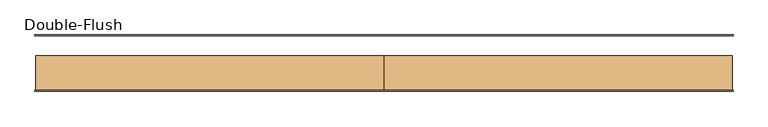
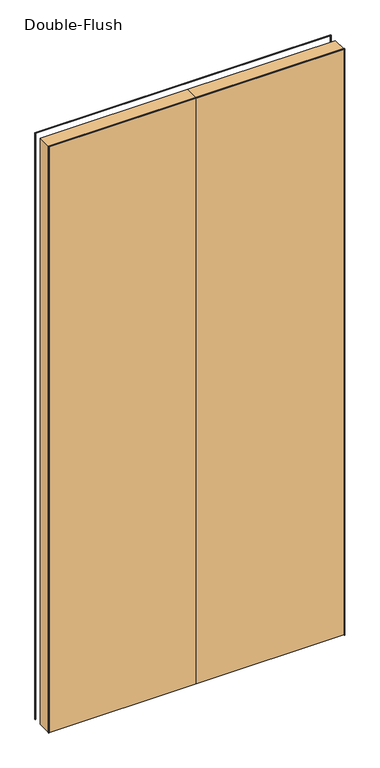
"""IFC4 building model written with IfcOpenShell, lengths in millimetres: door geometry, Double-Flush."""

from ifc_helpers import new_model, si_unit, frame, origin, origin_with_axes, place, context, project, spatial, polyline, outline, extrude, source, transform, mapped, element, save


def double_flush_b060f29f(model_context):
    return source(origin(), model_context, "Body", "SweptSolid", [
        extrude(outline(polyline([(0.0, -39.6875), (0.0, 11.1125), (508.0, 11.1125), (508.0, -39.6875), (0.0, -39.6875)])), origin_with_axes(), (0.0, 0.0, 1.0), 2133.6),
        extrude(outline(polyline([(-508.0, -39.6875), (-508.0, 11.1125), (0.0, 11.1125), (0.0, -39.6875), (-508.0, -39.6875)])), origin_with_axes(), (0.0, 0.0, 1.0), 2133.6),
        extrude(outline(polyline([(2133.6, -508.0), (2133.6, 508.0), (0.0, 508.0), (0.0, 509.5875), (2135.1875, 509.5875), (2135.1875, -509.5875), (0.0, -509.5875), (0.0, -508.0), (2133.6, -508.0)])), frame((0.0, 39.6875, 0.0), z_axis=(0.0, 1.0, 0.0), x_axis=(0.0, 0.0, 1.0)), (0.0, 0.0, 1.0), 1.5875),
        extrude(outline(polyline([(2133.6, -508.0), (2133.6, 508.0), (0.0, 508.0), (0.0, 509.5875), (2135.1875, 509.5875), (2135.1875, -509.5875), (0.0, -509.5875), (0.0, -508.0), (2133.6, -508.0)])), frame((0.0, -41.275, 0.0), z_axis=(0.0, 1.0, 0.0), x_axis=(0.0, 0.0, 1.0)), (0.0, 0.0, 1.0), 1.5875),
    ])


if __name__ == "__main__":
    model = new_model("IFC4")
    model_context = context("Model", 3, world=origin())
    ifc_project = project(units=[si_unit("LENGTHUNIT", "METRE", prefix="MILLI")], contexts=[model_context])
    site = spatial("IfcSite", under=ifc_project)
    building = spatial("IfcBuilding", under=site)
    placement = place(None, origin())
    double_flush_shape = double_flush_b060f29f(model_context)
    element("IfcDoor", 1, ObjectType="Double-Flush", at=placement, inside=building, context=model_context, shape_type="MappedRepresentation", body=[
        mapped(double_flush_shape, transform((0.0, 0.0, 0.0), x_axis=(1.0, 0.0, 0.0), y_axis=(0.0, 1.0, 0.0), z_axis=(0.0, 0.0, 1.0))),
    ])
    save(model, "model.ifc")
